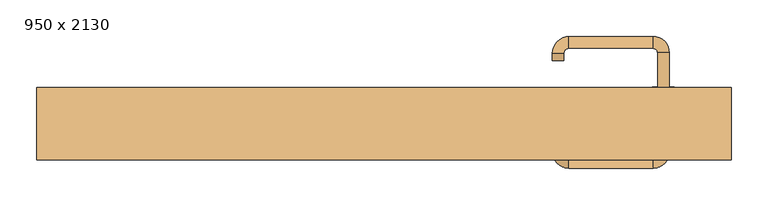
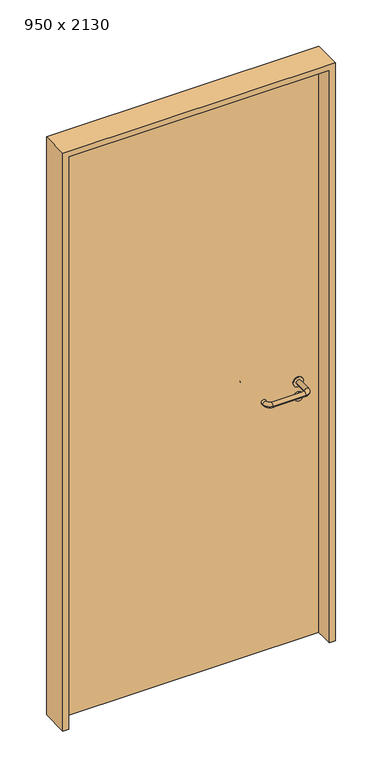
"""IFC4 building model written with IfcOpenShell, lengths in millimetres: door geometry, 950 x 2130."""

import ifcopenshell
import ifcopenshell.guid

model = None  # the IFC model being written
_history = None  # IfcOwnerHistory: only IFC2X3 demands one
_inside = {}  # id of a spatial element -> (the spatial element, [elements in it])
_under = {}  # id of a project, library or spatial element -> (it, [spatial elements below it])
_declared = {}  # id of a project -> (the project, [libraries it declares])
_typed = {}  # id of a type object -> (the type object, [elements of that type])
_made_of = {}  # id of a material, layer set ... -> (it, [elements and type objects made of it])


def new_model(schema):
    """Start an empty IFC model of exactly this schema.

    Asked for "IFC4X3", IfcOpenShell would pick the latest addendum, in which some entities
    have other attributes; the version numbers below select the first issue.
    IFC2X3 requires an IfcOwnerHistory on every rooted entity: one is made here for all.
    """
    global model, _history
    if schema == "IFC4X3":
        model = ifcopenshell.file(schema_version=(4, 3, 0, 0))
    else:
        model = ifcopenshell.file(schema=schema)
    _inside.clear()
    _under.clear()
    _declared.clear()
    _typed.clear()
    _made_of.clear()
    _history = None
    if model.schema == "IFC2X3":
        org = make("IfcOrganization", Name="unknown")
        user = make(
            "IfcPersonAndOrganization",
            ThePerson=make("IfcPerson", FamilyName="unknown"),
            TheOrganization=org,
        )
        app = make(
            "IfcApplication",
            ApplicationDeveloper=org,
            Version="unknown",
            ApplicationFullName="unknown",
            ApplicationIdentifier="unknown",
        )
        _history = make(
            "IfcOwnerHistory",
            OwningUser=user,
            OwningApplication=app,
            ChangeAction="ADDED",
            CreationDate=0,
        )
    return model


def make(cls, **values):
    """One entity of the class cls with the attributes given. An attribute that is None is left unset."""
    return model.create_entity(
        cls, **{name: value for name, value in values.items() if value is not None}
    )


def rooted(cls, **values):
    """An entity with a GlobalId (a new one), such as an element, a storey or a relation."""
    return make(cls, GlobalId=ifcopenshell.guid.new(), OwnerHistory=_history, **values)


def si_unit(unit_type, name, prefix=None):
    """IfcSIUnit, for example si_unit("LENGTHUNIT", "METRE", prefix="MILLI")."""
    return make("IfcSIUnit", UnitType=unit_type, Prefix=prefix, Name=name)


def assignment(units):
    """IfcUnitAssignment: the units of a project."""
    return None if units is None else make("IfcUnitAssignment", Units=units)


def point(xyz):
    """IfcCartesianPoint."""
    return None if xyz is None else make("IfcCartesianPoint", Coordinates=xyz)


def direction(xyz):
    """IfcDirection."""
    return None if xyz is None else make("IfcDirection", DirectionRatios=xyz)


def frame(location, z_axis=None, x_axis=None):
    """IfcAxis2Placement3D, a coordinate frame: its origin and axes. An axis left out is left unset."""
    return make(
        "IfcAxis2Placement3D",
        Location=point(location),
        Axis=direction(z_axis),
        RefDirection=direction(x_axis),
    )


def frame_2d(location, x_axis=None):
    """IfcAxis2Placement2D, a coordinate frame in the plane: its origin and x axis."""
    return make(
        "IfcAxis2Placement2D", Location=point(location), RefDirection=direction(x_axis)
    )


def origin():
    """The frame at (0, 0, 0) with its axes left unset."""
    return frame((0.0, 0.0, 0.0))


def origin_with_axes():
    """The frame at (0, 0, 0) with the z axis (0, 0, 1) and the x axis (1, 0, 0) written out."""
    return frame((0.0, 0.0, 0.0), z_axis=(0.0, 0.0, 1.0), x_axis=(1.0, 0.0, 0.0))


def place(relative_to, where):
    """IfcLocalPlacement: puts the frame where relative to a parent placement (None: the world)."""
    return make(
        "IfcLocalPlacement", PlacementRelTo=relative_to, RelativePlacement=where
    )


def context(
    kind, dimensions, precision=None, world=None, true_north=None, identifier=None
):
    """IfcGeometricRepresentationContext, for example the 3D "Model" context."""
    return make(
        "IfcGeometricRepresentationContext",
        ContextIdentifier=identifier,
        ContextType=kind,
        CoordinateSpaceDimension=dimensions,
        Precision=precision,
        WorldCoordinateSystem=world,
        TrueNorth=true_north,
    )


def project(units=None, contexts=None):
    """IfcProject with its units and contexts."""
    return rooted(
        "IfcProject",
        Name="project",
        RepresentationContexts=contexts,
        UnitsInContext=assignment(units),
    )


def spatial(cls, under=None, at=None, **own):
    """A site, building, storey or space (cls), placed at a placement, below another one or the project."""
    s = rooted(cls, ObjectPlacement=at, **own)
    if under is not None:
        _under.setdefault(under.id(), (under, []))[1].append(s)
    return s


def polyline(points):
    """IfcPolyline through the points."""
    return make("IfcPolyline", Points=[point(p) for p in points])


def circle_curve(where, radius):
    """IfcCircle in the frame where."""
    return make("IfcCircle", Position=where, Radius=radius)


def ellipse_curve(where, semi_axis1, semi_axis2):
    """IfcEllipse in the frame where."""
    return make(
        "IfcEllipse", Position=where, SemiAxis1=semi_axis1, SemiAxis2=semi_axis2
    )


def trimmed(basis, trim1, trim2, sense, master):
    """IfcTrimmedCurve: the piece of a basis curve between two trims."""
    return make(
        "IfcTrimmedCurve",
        BasisCurve=basis,
        Trim1=trim1,
        Trim2=trim2,
        SenseAgreement=sense,
        MasterRepresentation=master,
    )


def segment(curve, same_sense, transition):
    """IfcCompositeCurveSegment."""
    return make(
        "IfcCompositeCurveSegment",
        Transition=transition,
        SameSense=same_sense,
        ParentCurve=curve,
    )


def composite_curve(segments, self_intersect=None):
    """IfcCompositeCurve: segments joined end to end."""
    return make("IfcCompositeCurve", Segments=segments, SelfIntersect=self_intersect)


def outline(outer, holes=None, kind="AREA"):
    """IfcArbitraryClosedProfileDef: a profile drawn as a closed curve; with holes, ...WithVoids."""
    if holes is None:
        return make("IfcArbitraryClosedProfileDef", ProfileType=kind, OuterCurve=outer)
    return make(
        "IfcArbitraryProfileDefWithVoids",
        ProfileType=kind,
        OuterCurve=outer,
        InnerCurves=holes,
    )


def extrude(swept, where, along, depth):
    """IfcExtrudedAreaSolid: the profile swept, set in the frame where, extruded along a direction by depth."""
    return make(
        "IfcExtrudedAreaSolid",
        SweptArea=swept,
        Position=where,
        ExtrudedDirection=direction(along),
        Depth=depth,
    )


def shape(context_of_items, identifier, shape_type, items):
    """IfcShapeRepresentation: the items that make up one representation, for example the "Body"."""
    return make(
        "IfcShapeRepresentation",
        ContextOfItems=context_of_items,
        RepresentationIdentifier=identifier,
        RepresentationType=shape_type,
        Items=items,
    )


def source(mapping_origin, context_of_items, identifier, shape_type, items):
    """IfcRepresentationMap: a shape defined once, which mapped items show again and again."""
    return make(
        "IfcRepresentationMap",
        MappingOrigin=mapping_origin,
        MappedRepresentation=shape(context_of_items, identifier, shape_type, items),
    )


def transform(
    local_origin,
    x_axis=None,
    y_axis=None,
    z_axis=None,
    scale=None,
    scale2=None,
    scale3=None,
    uniform=True,
):
    """IfcCartesianTransformationOperator3D, or its non-uniform kind. x_axis, y_axis, z_axis: its Axis1, 2, 3."""
    if uniform:
        return make(
            "IfcCartesianTransformationOperator3D",
            Axis1=direction(x_axis),
            Axis2=direction(y_axis),
            LocalOrigin=point(local_origin),
            Scale=scale,
            Axis3=direction(z_axis),
        )
    return make(
        "IfcCartesianTransformationOperator3DnonUniform",
        Axis1=direction(x_axis),
        Axis2=direction(y_axis),
        LocalOrigin=point(local_origin),
        Scale=scale,
        Axis3=direction(z_axis),
        Scale2=scale2,
        Scale3=scale3,
    )


def mapped(mapping_source, mapping_target):
    """IfcMappedItem: shows the shape of a source again, moved by a transform."""
    return make(
        "IfcMappedItem", MappingSource=mapping_source, MappingTarget=mapping_target
    )


def made_of(thing, what):
    """Note that an element or type object is made of a material, layer set ...; save() writes the relation."""
    if what is not None:
        _made_of.setdefault(what.id(), (what, []))[1].append(thing)
    return thing


def element(
    cls,
    number,
    at=None,
    inside=None,
    cuts=None,
    type_object=None,
    material=None,
    context=None,
    identifier="Body",
    shape_type=None,
    held_by="IfcProductDefinitionShape",
    body=None,
    shapes=None,
    **own,
):
    """One element of the class cls, such as IfcWall. Its Tag is "e" and its number.

    at: its placement. inside: the storey or other place that contains it. cuts: it is an
    opening in that element (IfcRelVoidsElement). A single representation is given by context,
    identifier, shape_type and body (its items); several are given by shapes. held_by: the class
    of the entity that holds the representations. save() writes the other relations.
    """
    e = rooted(cls, Tag="e%d" % number, ObjectPlacement=at, **own)
    if body is not None:
        shapes = [shape(context, identifier, shape_type, body)]
    if shapes is not None:
        e.Representation = make(held_by, Representations=shapes)
    if inside is not None:
        _inside.setdefault(inside.id(), (inside, []))[1].append(e)
    if cuts is not None:
        rooted(
            "IfcRelVoidsElement", RelatingBuildingElement=cuts, RelatedOpeningElement=e
        )
    if type_object is not None:
        _typed.setdefault(type_object.id(), (type_object, []))[1].append(e)
    return made_of(e, material)


def aggregate(whole, parts):
    """IfcRelAggregates: a whole, such as a stair, and the parts it consists of."""
    return rooted("IfcRelAggregates", RelatingObject=whole, RelatedObjects=parts)


def save(model, path):
    """Write the relations noted so far, then the file.

    IfcRelAggregates (storeys below a building ...), IfcRelContainedInSpatialStructure (elements
    in a storey), IfcRelDefinesByType, IfcRelAssociatesMaterial and IfcRelDeclares: one each for
    every whole, place, type object, material and project.
    """
    for whole, parts in _under.values():
        aggregate(whole, parts)
    for where, things in _inside.values():
        rooted(
            "IfcRelContainedInSpatialStructure",
            RelatedElements=things,
            RelatingStructure=where,
        )
    for kind, things in _typed.values():
        rooted("IfcRelDefinesByType", RelatedObjects=things, RelatingType=kind)
    for what, things in _made_of.values():
        rooted("IfcRelAssociatesMaterial", RelatedObjects=things, RelatingMaterial=what)
    for by, libraries in _declared.values():
        rooted("IfcRelDeclares", RelatingContext=by, RelatedDefinitions=libraries)
    model.write(path)


def plane_surface(at):
    """IfcPlane: the flat surface through the origin of the frame at, square to its z axis."""
    return make("IfcPlane", Position=at)


def cylinder_surface(at, radius):
    """IfcCylindricalSurface: all points at the distance radius from the z axis of the frame at."""
    return make("IfcCylindricalSurface", Position=at, Radius=radius)


def revolved_surface(curve, axis_point, axis_direction):
    """IfcSurfaceOfRevolution: the curve turned about the line through axis_point along axis_direction."""
    return make(
        "IfcSurfaceOfRevolution",
        SweptCurve=make("IfcArbitraryOpenProfileDef", ProfileType="CURVE", Curve=curve),
        AxisPosition=make("IfcAxis1Placement", Location=point(axis_point), Axis=direction(axis_direction)),
    )


def advanced_brep(points, edges, surfaces, faces):
    """IfcAdvancedBrep: a solid bounded by faces that lie on surfaces and meet in shared edges.

    An edge is (start, end): straight between two places in points (the first is 0);
    or (start, end, curve); or (start, end, curve, False) where it runs against its curve.
    A face is (place in surfaces, loops), or (place, loops, False) where it looks against
    its surface's normal. A loop lists edges by number (the first is 1), with a minus sign
    where the edge is run from its end to its start. The first loop is the outer one.
    """
    corners = [point(p) for p in points]
    vertices = [make("IfcVertexPoint", VertexGeometry=c) for c in corners]
    made = []
    for start, end, *more in edges:
        made.append(
            make(
                "IfcEdgeCurve",
                EdgeStart=vertices[start],
                EdgeEnd=vertices[end],
                EdgeGeometry=more[0] if more else make("IfcPolyline", Points=[corners[start], corners[end]]),
                SameSense=more[1] if len(more) > 1 else True,
            )
        )
    hull = []
    for where, loops, *sense in faces:
        bounds = []
        for j, loop in enumerate(loops):
            ring = [make("IfcOrientedEdge", EdgeElement=made[abs(k) - 1], Orientation=k > 0) for k in loop]
            bounds.append(
                make(
                    "IfcFaceOuterBound" if j == 0 else "IfcFaceBound",
                    Bound=make("IfcEdgeLoop", EdgeList=ring),
                    Orientation=True,
                )
            )
        hull.append(make("IfcAdvancedFace", Bounds=bounds, FaceSurface=surfaces[where], SameSense=sense[0] if sense else True))
    return make("IfcAdvancedBrep", Outer=make("IfcClosedShell", CfsFaces=hull))


def door_950_x_2130_cb641336(model_context):
    return source(origin(), model_context, "Body", "SolidModel", [
        extrude(outline(composite_curve([segment(trimmed(circle_curve(frame_2d((897.3605726, 382.0)), 15.0), [point((897.3605726, 397.0))], [point((897.3605726, 367.0))], False, "CARTESIAN"), True, "CONTINUOUS"), segment(trimmed(circle_curve(frame_2d((897.3605726, 382.0)), 15.0), [point((897.3605726, 367.0))], [point((897.3605726, 397.0))], False, "CARTESIAN"), True, "CONTINUOUS")], self_intersect=False), holes=[composite_curve([segment(trimmed(circle_curve(frame_2d((892.5833211, 381.9398032)), 2.0), [point((892.5833211, 383.9398032))], [point((892.5833211, 379.9398032))], True, "CARTESIAN"), True, "CONTINUOUS"), segment(polyline([(892.5833211, 379.9398032), (902.5833211, 379.9398032)]), True, "CONTINUOUS"), segment(trimmed(circle_curve(frame_2d((902.5833211, 381.9398032)), 2.0), [point((902.5833211, 379.9398032))], [point((902.5833211, 383.9398032))], True, "CARTESIAN"), True, "CONTINUOUS"), segment(polyline([(902.5833211, 383.9398032), (892.5833211, 383.9398032)]), True, "CONTINUOUS")], self_intersect=False)]), frame((0.0, 8.65, 0.0), z_axis=(0.0, 1.0, 0.0), x_axis=(0.0, 0.0, 1.0)), (0.0, 0.0, 1.0), 6.35),
        extrude(outline(composite_curve([segment(trimmed(circle_curve(frame_2d((950.0, 382.0)), 17.526), [point((950.0, 399.526))], [point((950.0, 364.474))], False, "CARTESIAN"), True, "CONTINUOUS"), segment(trimmed(circle_curve(frame_2d((950.0, 382.0)), 17.526), [point((950.0, 364.474))], [point((950.0, 399.526))], False, "CARTESIAN"), True, "CONTINUOUS")], self_intersect=False)), frame((0.0, 11.825, 0.0), z_axis=(0.0, 1.0, 0.0), x_axis=(0.0, 0.0, 1.0)), (0.0, 0.0, 1.0), 3.175),
        advanced_brep(
        [(390.0, 15.0, 950.0), (374.0, 15.0, 950.0), (374.0, -38.0, 950.0), (390.0, -38.0, 950.0), (367.8578644, -44.1421356, 950.0), (367.8578644, -60.1421356, 950.0), (252.8578644, -44.1421356, 950.0), (252.8578644, -60.1421356, 950.0), (246.008622, -37.2928932, 950.0), (230.008622, -37.2928932, 950.0), (230.008622, -27.2928932, 950.0), (246.008622, -27.2928932, 950.0)],
        [
            (0, 1, circle_curve(frame((382.0, 15.0, 950.0), z_axis=(0.0, 1.0, 0.0), x_axis=(-1.0, 0.0, 0.0)), 8.0)),
            (1, 0, circle_curve(frame((382.0, 15.0, 950.0), z_axis=(0.0, 1.0, 0.0), x_axis=(-1.0, 0.0, 0.0)), 8.0)),
            (1, 2),
            (2, 3, circle_curve(frame((382.0, -38.0, 950.0), z_axis=(0.0, 1.0, 0.0), x_axis=(-1.0, 0.0, 0.0)), 8.0)),
            (3, 0),
            (3, 2, circle_curve(frame((382.0, -38.0, 950.0), z_axis=(0.0, 1.0, 0.0), x_axis=(-1.0, 0.0, 0.0)), 8.0)),
            (4, 5, circle_curve(frame((367.8578644, -52.1421356, 950.0), z_axis=(1.0, 0.0, 0.0), x_axis=(0.0, 1.0, 0.0)), 8.0)),
            (5, 3, circle_curve(frame((367.8578644, -38.0, 950.0), z_axis=(0.0, 0.0, 1.0), x_axis=(1.0, 0.0, 0.0)), 22.1421356)),
            (2, 4, circle_curve(frame((367.8578644, -38.0, 950.0), z_axis=(0.0, 0.0, -1.0), x_axis=(1.0, 0.0, 0.0)), 6.1421356)),
            (5, 4, circle_curve(frame((367.8578644, -52.1421356, 950.0), z_axis=(1.0, 0.0, 0.0), x_axis=(0.0, 1.0, 0.0)), 8.0)),
            (4, 6),
            (6, 7, circle_curve(frame((252.8578644, -52.1421356, 950.0), z_axis=(1.0, 0.0, 0.0), x_axis=(0.0, 1.0, 0.0)), 8.0)),
            (7, 5),
            (7, 6, circle_curve(frame((252.8578644, -52.1421356, 950.0), z_axis=(1.0, 0.0, 0.0), x_axis=(0.0, 1.0, 0.0)), 8.0)),
            (8, 9, circle_curve(frame((238.008622, -37.2928932, 950.0), z_axis=(0.0, -1.0, 0.0), x_axis=(1.0, 0.0, 0.0)), 8.0)),
            (9, 7, circle_curve(frame((252.8578644, -37.2928932, 950.0), z_axis=(0.0, 0.0, 1.0), x_axis=(0.0, -1.0, 0.0)), 22.8492424)),
            (6, 8, circle_curve(frame((252.8578644, -37.2928932, 950.0), z_axis=(0.0, 0.0, -1.0), x_axis=(0.0, -1.0, 0.0)), 6.8492424)),
            (9, 8, circle_curve(frame((238.008622, -37.2928932, 950.0), z_axis=(0.0, -1.0, 0.0), x_axis=(1.0, 0.0, 0.0)), 8.0)),
            (10, 11, circle_curve(frame((238.008622, -27.2928932, 950.0), z_axis=(0.0, 1.0, 0.0), x_axis=(1.0, 0.0, 0.0)), 8.0)),
            (11, 10, circle_curve(frame((238.008622, -27.2928932, 950.0), z_axis=(0.0, 1.0, 0.0), x_axis=(1.0, 0.0, 0.0)), 8.0)),
            (8, 11),
            (10, 9),
        ],
        [
            plane_surface(frame((382.0, 15.0, 0.0), z_axis=(0.0, 1.0, 0.0), x_axis=(0.0, 0.0, 1.0))),
            cylinder_surface(frame((382.0, 15.0, 950.0), z_axis=(0.0, 1.0, 0.0), x_axis=(-1.0, 0.0, 0.0)), 8.0),
            revolved_surface(trimmed(ellipse_curve(frame((382.0, -38.0, 950.0), z_axis=(0.0, -1.0, 0.0), x_axis=(-1.0, 0.0, 0.0)), 8.0, 8.0), [point((390.0, -38.0, 950.0))], [point((374.0, -38.0, 950.0))], True, "CARTESIAN"), (367.8578644, -38.0, 0.0), (0.0, 0.0, 1.0)),
            revolved_surface(trimmed(ellipse_curve(frame((382.0, -38.0, 950.0), z_axis=(0.0, -1.0, 0.0), x_axis=(-1.0, 0.0, 0.0)), 8.0, 8.0), [point((374.0, -38.0, 950.0))], [point((390.0, -38.0, 950.0))], True, "CARTESIAN"), (367.8578644, -38.0, 0.0), (0.0, 0.0, 1.0)),
            cylinder_surface(frame((367.8578644, -52.1421356, 950.0), z_axis=(1.0, 0.0, 0.0), x_axis=(0.0, 1.0, 0.0)), 8.0),
            revolved_surface(trimmed(ellipse_curve(frame((252.8578644, -52.1421356, 950.0), z_axis=(-1.0, 0.0, 0.0), x_axis=(0.0, 1.0, 0.0)), 8.0, 8.0), [point((252.8578644, -60.1421356, 950.0))], [point((252.8578644, -44.1421356, 950.0))], True, "CARTESIAN"), (252.8578644, -37.2928932, 0.0), (0.0, 0.0, 1.0)),
            revolved_surface(trimmed(ellipse_curve(frame((252.8578644, -52.1421356, 950.0), z_axis=(-1.0, 0.0, 0.0), x_axis=(0.0, 1.0, 0.0)), 8.0, 8.0), [point((252.8578644, -44.1421356, 950.0))], [point((252.8578644, -60.1421356, 950.0))], True, "CARTESIAN"), (252.8578644, -37.2928932, 0.0), (0.0, 0.0, 1.0)),
            plane_surface(frame((238.008622, -27.2928932, 0.0), z_axis=(0.0, 1.0, 0.0), x_axis=(0.0, 0.0, 1.0))),
            cylinder_surface(frame((238.008622, -37.2928932, 950.0), z_axis=(0.0, -1.0, 0.0), x_axis=(1.0, 0.0, 0.0)), 8.0),
        ],
        [
            (0, [[1, 2]]),
            (1, [[3, 4, 5, -2]]),
            (1, [[-5, 6, -3, -1]]),
            (2, [[7, 8, -4, 9]]),
            (3, [[10, -9, -6, -8]]),
            (4, [[11, 12, 13, -7]]),
            (4, [[-13, 14, -11, -10]]),
            (5, [[15, 16, -12, 17]]),
            (6, [[18, -17, -14, -16]]),
            (7, [[19, 20]]),
            (8, [[21, -19, 22, -15]]),
            (8, [[-22, -20, -21, -18]]),
        ],
    ),
        extrude(outline(composite_curve([segment(trimmed(circle_curve(frame_2d((0.0, -15.0)), 15.0), [point((0.0, -30.0))], [point((0.0, 0.0))], False, "CARTESIAN"), True, "CONTINUOUS"), segment(trimmed(circle_curve(frame_2d((0.0, -15.0)), 15.0), [point((0.0, 0.0))], [point((0.0, -30.0))], False, "CARTESIAN"), True, "CONTINUOUS")], self_intersect=False), holes=[composite_curve([segment(trimmed(circle_curve(frame_2d((4.7772515, -14.9398032)), 2.0), [point((4.7772515, -16.9398032))], [point((4.7772515, -12.9398032))], True, "CARTESIAN"), True, "CONTINUOUS"), segment(polyline([(4.7772515, -12.9398032), (-5.2227485, -12.9398032)]), True, "CONTINUOUS"), segment(trimmed(circle_curve(frame_2d((-5.2227485, -14.9398032)), 2.0), [point((-5.2227485, -12.9398032))], [point((-5.2227485, -16.9398032))], True, "CARTESIAN"), True, "CONTINUOUS"), segment(polyline([(-5.2227485, -16.9398032), (4.7772515, -16.9398032)]), True, "CONTINUOUS")], self_intersect=False)]), frame((367.0, 45.0, 897.3605726), z_axis=(1.8870575173328306e-12, 1.0, 0.0), x_axis=(0.0, 0.0, -1.0)), (0.0, 0.0, 1.0), 6.35),
        extrude(outline(composite_curve([segment(trimmed(circle_curve(frame_2d((0.0, -17.526)), 17.526), [point((0.0, -35.052))], [point((0.0, 0.0))], False, "CARTESIAN"), True, "CONTINUOUS"), segment(trimmed(circle_curve(frame_2d((0.0, -17.526)), 17.526), [point((0.0, 0.0))], [point((0.0, -35.052))], False, "CARTESIAN"), True, "CONTINUOUS")], self_intersect=False)), frame((364.474, 45.0, 950.0), z_axis=(1.8870575173328306e-12, 1.0, 0.0), x_axis=(0.0, 0.0, -1.0)), (0.0, 0.0, 1.0), 3.175),
        advanced_brep(
        [(390.0, 45.0, 950.0), (374.0, 45.0, 950.0), (390.0, 98.0, 950.0), (374.0, 98.0, 950.0), (367.8578644, 104.1421356, 950.0), (367.8578644, 120.1421356, 950.0), (252.8578644, 120.1421356, 950.0), (252.8578644, 104.1421356, 950.0), (246.008622, 97.2928932, 950.0), (230.008622, 97.2928932, 950.0), (230.008622, 87.2928932, 950.0), (246.008622, 87.2928932, 950.0)],
        [
            (0, 1, circle_curve(frame((382.0, 45.0, 950.0), z_axis=(-1.888672253512351e-12, -1.0, 0.0), x_axis=(-1.0, 1.888672253512351e-12, 0.0)), 8.0)),
            (1, 0, circle_curve(frame((382.0, 45.0, 950.0), z_axis=(-1.888672253512351e-12, -1.0, 0.0), x_axis=(-1.0, 1.888672253512351e-12, 0.0)), 8.0)),
            (0, 2),
            (2, 3, circle_curve(frame((382.0, 98.0, 950.0), z_axis=(-1.888672253512351e-12, -1.0, 0.0), x_axis=(-1.0, 1.888672253512351e-12, 0.0)), 8.0)),
            (3, 1),
            (3, 2, circle_curve(frame((382.0, 98.0, 950.0), z_axis=(-1.888672253512351e-12, -1.0, 0.0), x_axis=(-1.0, 1.888672253512351e-12, 0.0)), 8.0)),
            (4, 3, circle_curve(frame((367.8578644, 98.0, 950.0), z_axis=(0.0, 0.0, -1.0), x_axis=(1.0, -1.880717803715015e-12, 0.0)), 6.1421356)),
            (2, 5, circle_curve(frame((367.8578644, 98.0, 950.0), z_axis=(0.0, 0.0, 1.0), x_axis=(1.0, -1.880717803715015e-12, 0.0)), 22.1421356)),
            (5, 4, circle_curve(frame((367.8578644, 112.1421356, 950.0), z_axis=(1.0, -1.913702061528922e-12, 0.0), x_axis=(-1.913702061528922e-12, -1.0, 0.0)), 8.0)),
            (4, 5, circle_curve(frame((367.8578644, 112.1421356, 950.0), z_axis=(1.0, -1.913702061528922e-12, 0.0), x_axis=(-1.913702061528922e-12, -1.0, 0.0)), 8.0)),
            (5, 6),
            (6, 7, circle_curve(frame((252.8578644, 112.1421356, 950.0), z_axis=(1.0, -1.913719828541269e-12, 0.0), x_axis=(-1.913719828541269e-12, -1.0, 0.0)), 8.0)),
            (7, 4),
            (7, 6, circle_curve(frame((252.8578644, 112.1421356, 950.0), z_axis=(1.0, -1.913719828541269e-12, 0.0), x_axis=(-1.913719828541269e-12, -1.0, 0.0)), 8.0)),
            (8, 7, circle_curve(frame((252.8578644, 97.2928932, 950.0), z_axis=(0.0, 0.0, -1.0), x_axis=(1.9120873253494017e-12, 1.0, 0.0)), 6.8492424)),
            (6, 9, circle_curve(frame((252.8578644, 97.2928932, 950.0), z_axis=(0.0, 0.0, 1.0), x_axis=(1.9120873253494017e-12, 1.0, 0.0)), 22.8492424)),
            (9, 8, circle_curve(frame((238.008622, 97.2928932, 950.0), z_axis=(1.890448610351751e-12, 1.0, 0.0), x_axis=(1.0, -1.890448610351751e-12, 0.0)), 8.0)),
            (8, 9, circle_curve(frame((238.008622, 97.2928932, 950.0), z_axis=(1.8888942981172756e-12, 1.0, 0.0), x_axis=(1.0, -1.8888942981172756e-12, 0.0)), 8.0)),
            (10, 11, circle_curve(frame((238.008622, 87.2928932, 950.0), z_axis=(-1.8903642334018795e-12, -1.0, 0.0), x_axis=(1.0, -1.8903642334018795e-12, 0.0)), 8.0)),
            (11, 10, circle_curve(frame((238.008622, 87.2928932, 950.0), z_axis=(-1.8903642334018795e-12, -1.0, 0.0), x_axis=(1.0, -1.8903642334018795e-12, 0.0)), 8.0)),
            (9, 10),
            (11, 8),
        ],
        [
            plane_surface(frame((382.0, 45.0, 0.0), z_axis=(-1.8870575173328306e-12, -1.0, 0.0), x_axis=(0.0, 0.0, 1.0))),
            cylinder_surface(frame((382.0, 45.0, 950.0), z_axis=(-1.888672253512351e-12, -1.0, 0.0), x_axis=(-1.0, 1.888672253512351e-12, 0.0)), 8.0),
            revolved_surface(trimmed(ellipse_curve(frame((382.0, 98.0, 950.0), z_axis=(-1.8823325398945356e-12, -1.0, 0.0), x_axis=(-1.0, 1.8823325398945356e-12, 0.0)), 8.0, 8.0), [point((390.0, 98.0, 950.0))], [point((374.0, 98.0, 950.0))], True, "CARTESIAN"), (367.8578644, 98.0, 0.0), (0.0, 0.0, 1.0)),
            revolved_surface(trimmed(ellipse_curve(frame((382.0, 98.0, 950.0), z_axis=(-1.8823325398945356e-12, -1.0, 0.0), x_axis=(-1.0, 1.8823325398945356e-12, 0.0)), 8.0, 8.0), [point((374.0, 98.0, 950.0))], [point((390.0, 98.0, 950.0))], True, "CARTESIAN"), (367.8578644, 98.0, 0.0), (0.0, 0.0, 1.0)),
            cylinder_surface(frame((367.8578644, 112.1421356, 950.0), z_axis=(1.0, -1.913719828541269e-12, 0.0), x_axis=(-1.913719828541269e-12, -1.0, 0.0)), 8.0),
            revolved_surface(trimmed(ellipse_curve(frame((252.8578644, 112.1421356, 950.0), z_axis=(1.0, -1.913702061528922e-12, 0.0), x_axis=(-1.913702061528922e-12, -1.0, 0.0)), 8.0, 8.0), [point((252.8578644, 120.1421356, 950.0))], [point((252.8578644, 104.1421356, 950.0))], True, "CARTESIAN"), (252.8578644, 97.2928932, 0.0), (0.0, 0.0, 1.0)),
            revolved_surface(trimmed(ellipse_curve(frame((252.8578644, 112.1421356, 950.0), z_axis=(1.0, -1.913702061528922e-12, 0.0), x_axis=(-1.913702061528922e-12, -1.0, 0.0)), 8.0, 8.0), [point((252.8578644, 104.1421356, 950.0))], [point((252.8578644, 120.1421356, 950.0))], True, "CARTESIAN"), (252.8578644, 97.2928932, 0.0), (0.0, 0.0, 1.0)),
            plane_surface(frame((238.008622, 87.2928932, 0.0), z_axis=(-1.8887494972223595e-12, -1.0, 0.0), x_axis=(0.0, 0.0, 1.0))),
            cylinder_surface(frame((238.008622, 97.2928932, 950.0), z_axis=(1.8903642334018795e-12, 1.0, 0.0), x_axis=(1.0, -1.8903642334018795e-12, 0.0)), 8.0),
        ],
        [
            (0, [[1, 2]]),
            (1, [[-1, 3, 4, 5]]),
            (1, [[-2, -5, 6, -3]]),
            (2, [[7, -4, 8, 9]]),
            (3, [[-8, -6, -7, 10]]),
            (4, [[-9, 11, 12, 13]]),
            (4, [[-10, -13, 14, -11]]),
            (5, [[15, -12, 16, 17]]),
            (6, [[-16, -14, -15, 18]]),
            (7, [[19, 20]]),
            (8, [[-17, 21, -20, 22]]),
            (8, [[-18, -22, -19, -21]]),
        ],
    ),
        extrude(outline(polyline([(2110.0, 455.0), (0.0, 455.0), (0.0, 475.0), (2130.0, 475.0), (2130.0, -475.0), (0.0, -475.0), (0.0, -455.0), (2110.0, -455.0), (2110.0, 455.0)])), frame((0.0, -49.0, 0.0), z_axis=(0.0, 1.0, 0.0), x_axis=(0.0, 0.0, 1.0)), (0.0, 0.0, 1.0), 99.0),
        extrude(outline(polyline([(-455.0, 45.0), (455.0, 45.0), (455.0, 15.0), (-455.0, 15.0), (-455.0, 45.0)])), origin_with_axes(), (0.0, 0.0, 1.0), 2110.0),
    ])


if __name__ == "__main__":
    model = new_model("IFC4")
    model_context = context("Model", 3, world=origin())
    ifc_project = project(units=[si_unit("LENGTHUNIT", "METRE", prefix="MILLI")], contexts=[model_context])
    site = spatial("IfcSite", under=ifc_project)
    building = spatial("IfcBuilding", under=site)
    placement = place(None, origin())
    door_950_x_2130_shape = door_950_x_2130_cb641336(model_context)
    element("IfcDoor", 1, ObjectType="950 x 2130", at=placement, inside=building, context=model_context, shape_type="MappedRepresentation", body=[
        mapped(door_950_x_2130_shape, transform((0.0, 0.0, 0.0), x_axis=(1.0, 0.0, 0.0), y_axis=(0.0, 1.0, 0.0), z_axis=(0.0, 0.0, 1.0))),
    ])
    save(model, "model.ifc")
